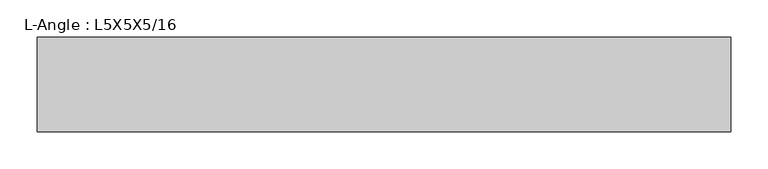
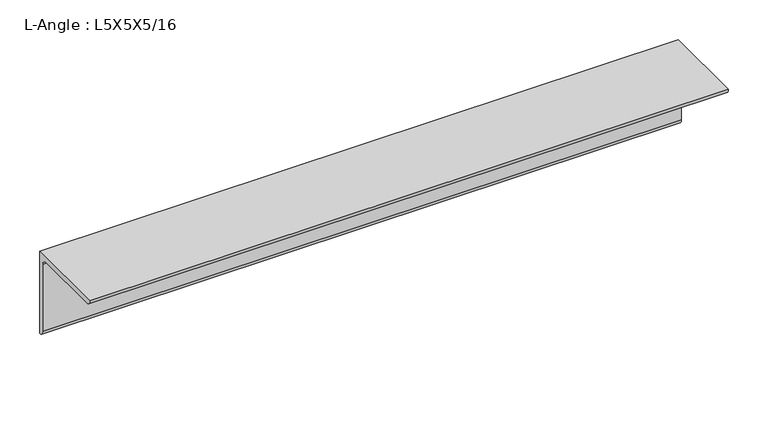
"""IFC4 building model written with IfcOpenShell, lengths in millimetres: beam geometry, L-Angle : L5X5X5/16."""

from ifc_helpers import new_model, si_unit, point, frame, frame_2d, origin, place, context, project, spatial, polyline, circle_curve, trimmed, segment, composite_curve, outline, extrude, source, transform, mapped, element, save


def l_angle_l5x5x5_16_7d43508d(model_context):
    return source(origin(), model_context, "Body", "SweptSolid", [
        extrude(outline(composite_curve([segment(polyline([(34.3296875, 34.3296875), (34.3296875, -92.6703125)]), True, "CONTINUOUS"), segment(trimmed(circle_curve(frame_2d((34.3296875, -84.7328125)), 7.9375), [point((34.3296875, -92.6703125))], [point((26.3921875, -84.7328125))], False, "CARTESIAN"), True, "CONTINUOUS"), segment(polyline([(26.3921875, -84.7328125), (26.3921875, 18.4546875)]), True, "CONTINUOUS"), segment(trimmed(circle_curve(frame_2d((18.4546875, 18.4546875)), 7.9375), [point((26.3921875, 18.4546875))], [point((18.4546875, 26.3921875))], True, "CARTESIAN"), True, "CONTINUOUS"), segment(polyline([(18.4546875, 26.3921875), (-84.7328125, 26.3921875)]), True, "CONTINUOUS"), segment(trimmed(circle_curve(frame_2d((-84.7328125, 34.3296875)), 7.9375), [point((-84.7328125, 26.3921875))], [point((-92.6703125, 34.3296875))], False, "CARTESIAN"), True, "CONTINUOUS"), segment(polyline([(-92.6703125, 34.3296875), (34.3296875, 34.3296875)]), True, "CONTINUOUS")], self_intersect=False)), frame((-466.1296875, 0.0, 0.0), z_axis=(1.0, 0.0, 0.0), x_axis=(0.0, 1.0, 0.0)), (0.0, 0.0, 1.0), 932.259375),
    ])


if __name__ == "__main__":
    model = new_model("IFC4")
    model_context = context("Model", 3, world=origin())
    ifc_project = project(units=[si_unit("LENGTHUNIT", "METRE", prefix="MILLI")], contexts=[model_context])
    site = spatial("IfcSite", under=ifc_project)
    building = spatial("IfcBuilding", under=site)
    placement = place(None, origin())
    l_angle_l5x5x5_16_shape = l_angle_l5x5x5_16_7d43508d(model_context)
    element("IfcBeam", 1, ObjectType="L-Angle : L5X5X5/16", at=placement, inside=building, context=model_context, shape_type="MappedRepresentation", body=[
        mapped(l_angle_l5x5x5_16_shape, transform((0.0, 0.0, 0.0), x_axis=(1.0, 0.0, 0.0), y_axis=(0.0, 1.0, 0.0), z_axis=(0.0, 0.0, 1.0))),
    ])
    save(model, "model.ifc")
